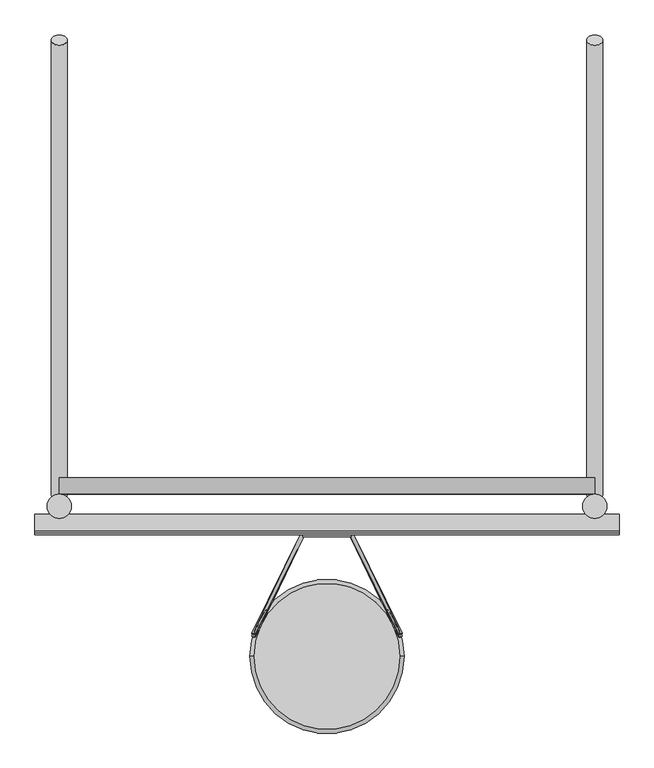
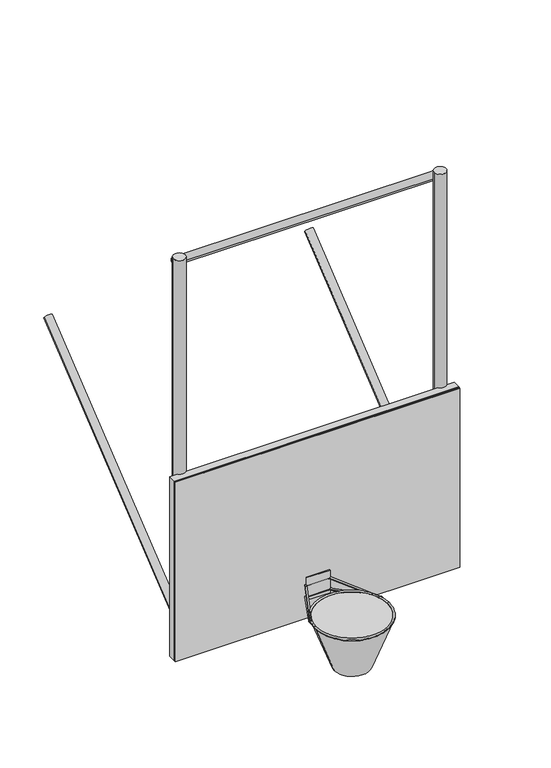
"""IFC4 building model written with IfcOpenShell, lengths in millimetres: proxy geometry."""

from ifc_helpers import new_model, si_unit, point, frame, frame_2d, origin, place, context, project, spatial, polyline, circle_curve, ellipse_curve, trimmed, segment, composite_curve, outline, extrude, source, transform, mapped, element, save
from ifc_brep_helpers import plane_surface, cylinder_surface, revolved_surface, advanced_brep


def specialty_equipment_a6046880(model_context):
    return source(origin(), model_context, "Body", "SolidModel", [
        extrude(outline(composite_curve([segment(trimmed(circle_curve(frame_2d((-76.2, 0.0)), 25.4), [point((-50.8, 0.0))], [point((-101.6, 0.0))], False, "CARTESIAN"), True, "CONTINUOUS"), segment(trimmed(circle_curve(frame_2d((-76.2, 0.0)), 25.4), [point((-101.6, 0.0))], [point((-50.8, 0.0))], False, "CARTESIAN"), True, "CONTINUOUS")], self_intersect=False)), frame((914.4, 114.3, 3048.0), z_axis=(0.0, 0.777145961456969, 0.6293203910498398), x_axis=(1.0, 0.0, 0.0)), (0.0, 0.0, 1.0), 1828.8),
        extrude(outline(composite_curve([segment(trimmed(circle_curve(frame_2d((-76.2, 0.0)), 25.4), [point((-50.8, 0.0))], [point((-101.6, 0.0))], False, "CARTESIAN"), True, "CONTINUOUS"), segment(trimmed(circle_curve(frame_2d((-76.2, 0.0)), 25.4), [point((-101.6, 0.0))], [point((-50.8, 0.0))], False, "CARTESIAN"), True, "CONTINUOUS")], self_intersect=False)), frame((-914.4, 114.3, 3048.0), z_axis=(0.0, 0.7771459614569691, 0.6293203910498396), x_axis=(-1.0, 0.0, 0.0)), (0.0, 0.0, 1.0), 1828.8),
        extrude(outline(composite_curve([segment(trimmed(circle_curve(frame_2d((140.0761832, 3078.4192567)), 25.4), [point((165.4761832, 3078.4192567))], [point((114.6761832, 3078.4192567))], False, "CARTESIAN"), True, "CONTINUOUS"), segment(trimmed(circle_curve(frame_2d((140.0761832, 3078.4192567)), 25.4), [point((114.6761832, 3078.4192567))], [point((165.4761832, 3078.4192567))], False, "CARTESIAN"), True, "CONTINUOUS")], self_intersect=False)), frame((-838.2, 0.0, 0.0), z_axis=(1.0, 0.0, 0.0), x_axis=(0.0, 1.0, 0.0)), (0.0, 0.0, 1.0), 1676.4),
        extrude(outline(composite_curve([segment(trimmed(circle_curve(frame_2d((140.0761832, 5415.2192567)), 25.4), [point((165.4761832, 5415.2192567))], [point((114.6761832, 5415.2192567))], False, "CARTESIAN"), True, "CONTINUOUS"), segment(trimmed(circle_curve(frame_2d((140.0761832, 5415.2192567)), 25.4), [point((114.6761832, 5415.2192567))], [point((165.4761832, 5415.2192567))], False, "CARTESIAN"), True, "CONTINUOUS")], self_intersect=False)), frame((-838.2, 0.0, 0.0), z_axis=(1.0, 0.0, 0.0), x_axis=(0.0, 1.0, 0.0)), (0.0, 0.0, 1.0), 1676.4),
        extrude(outline(composite_curve([segment(trimmed(circle_curve(frame_2d((-838.2, 76.2)), 38.1), [point((-876.3, 76.2))], [point((-800.1, 76.2))], False, "CARTESIAN"), True, "CONTINUOUS"), segment(trimmed(circle_curve(frame_2d((-838.2, 76.2)), 38.1), [point((-800.1, 76.2))], [point((-876.3, 76.2))], False, "CARTESIAN"), True, "CONTINUOUS")], self_intersect=False)), frame((0.0, 0.0, 3048.0), z_axis=(0.0, 0.0, 1.0), x_axis=(1.0, 0.0, 0.0)), (0.0, 0.0, 1.0), 2438.4),
        extrude(outline(composite_curve([segment(trimmed(circle_curve(frame_2d((838.2, 76.2)), 38.1), [point((876.3, 76.2))], [point((800.1, 76.2))], False, "CARTESIAN"), True, "CONTINUOUS"), segment(trimmed(circle_curve(frame_2d((838.2, 76.2)), 38.1), [point((800.1, 76.2))], [point((876.3, 76.2))], False, "CARTESIAN"), True, "CONTINUOUS")], self_intersect=False)), frame((0.0, 0.0, 3048.0), z_axis=(0.0, 0.0, 1.0), x_axis=(1.0, 0.0, 0.0)), (0.0, 0.0, 1.0), 2438.4),
        advanced_brep(
        [(-236.6789699, -395.5113338, 3042.0341814), (236.6789699, -395.5113338, 3042.0341814), (-114.3, -395.5113338, 2707.5151813), (114.3, -395.5113338, 2707.5151813)],
        [
            (0, 1, circle_curve(frame((0.0, -395.5113338, 3042.0341814), z_axis=(0.0, 0.0, 1.0), x_axis=(-1.0, 0.0, 0.0)), 236.6789699)),
            (1, 0, circle_curve(frame((0.0, -395.5113338, 3042.0341814), z_axis=(0.0, 0.0, 1.0), x_axis=(1.0, 0.0, 0.0)), 236.6789699)),
            (2, 3, circle_curve(frame((0.0, -395.5113338, 2707.5151813), z_axis=(0.0, 0.0, -1.0), x_axis=(1.0, 0.0, 0.0)), 114.3)),
            (3, 2, circle_curve(frame((0.0, -395.5113338, 2707.5151813), z_axis=(0.0, 0.0, -1.0), x_axis=(-1.0, 0.0, 0.0)), 114.3)),
            (3, 1),
            (0, 2),
        ],
        [
            plane_surface(frame((0.0, -395.5113338, 3042.0341814), z_axis=(0.0, 0.0, 1.0), x_axis=(0.0, -1.0, 0.0))),
            plane_surface(frame((0.0, -395.5113338, 2707.5151813), z_axis=(0.0, 0.0, -1.0), x_axis=(0.0, -1.0, 0.0))),
            revolved_surface(polyline([(114.3000000051076, -395.5113338, 2707.5151813), (236.6789699, -395.5113338, 3042.0341814)]), (0.0, -395.5113338, 2395.079787), (0.0, 0.0, 1.0)),
            revolved_surface(polyline([(-114.3000000051076, -395.5113338, 2707.5151813), (-236.6789699, -395.5113338, 3042.0341814)]), (0.0, -395.5113338, 2395.079787), (0.0, 0.0, 1.0)),
        ],
        [
            (0, [[1, 2]]),
            (1, [[3, 4]]),
            (2, [[-4, 5, -1, 6]]),
            (3, [[-3, -6, -2, -5]]),
        ],
    ),
        advanced_brep(
        [(-235.8399415, -321.2580627, 3040.7989327), (-224.3912623, -326.5918433, 3042.1287936), (-80.1951006, -6.7272443, 2962.3775919), (-72.2048994, -19.05, 2965.45), (80.1951006, -6.7272443, 2962.3775919), (72.2048994, -19.05, 2965.45), (235.8399415, -321.2580627, 3040.7989327), (224.3912623, -326.5918433, 3042.1287936)],
        [
            (0, 1, circle_curve(frame((-230.1156019, -323.924953, 3041.4638631), z_axis=(-0.4328399193789917, -0.8746932651081373, 0.2180855248897866), x_axis=(0.9014708005210086, -0.41998272393508324, 0.10471345378737032)), 6.35)),
            (1, 0, circle_curve(frame((-230.1156019, -323.924953, 3041.4638631), z_axis=(-0.4328399193789917, -0.8746932651081373, 0.2180855248897866), x_axis=(0.9014708005210086, -0.41998272393508324, 0.10471345378737032)), 6.35)),
            (0, 2),
            (2, 3, ellipse_curve(frame((-76.2, -12.8886221, 2963.913796), z_axis=(-0.8464159495717788, -0.5167041485635194, 0.12882881342212485), x_axis=(0.5325223378511971, -0.8212737785213373, 0.20476655098619206)), 7.5022216, 6.35)),
            (3, 1),
            (3, 2, ellipse_curve(frame((-76.2, -12.8886221, 2963.913796), z_axis=(-0.8464159495717788, -0.5167041485635194, 0.12882881342212485), x_axis=(0.5325223378511971, -0.8212737785213373, 0.20476655098619206)), 7.5022216, 6.35)),
            (2, 4),
            (4, 5, ellipse_curve(frame((76.2, -12.8886221, 2963.913796), z_axis=(-0.8464159495717782, 0.5167041485635203, -0.12882881342212504), x_axis=(-0.5325223378511974, -0.8212737785213372, 0.20476655098619195)), 7.5022216, 6.35)),
            (5, 3),
            (5, 4, ellipse_curve(frame((76.2, -12.8886221, 2963.913796), z_axis=(-0.8464159495717782, 0.5167041485635203, -0.12882881342212504), x_axis=(-0.5325223378511974, -0.8212737785213372, 0.20476655098619195)), 7.5022216, 6.35)),
            (6, 7, circle_curve(frame((230.1156019, -323.924953, 3041.4638631), z_axis=(0.43283991937898986, -0.8746932651081383, 0.2180855248897868), x_axis=(-0.9014708005210095, -0.41998272393508135, 0.10471345378736992)), 6.35)),
            (7, 6, circle_curve(frame((230.1156019, -323.924953, 3041.4638631), z_axis=(0.43283991937898986, -0.8746932651081383, 0.2180855248897868), x_axis=(-0.9014708005210095, -0.41998272393508135, 0.10471345378736992)), 6.35)),
            (4, 6),
            (7, 5),
        ],
        [
            plane_surface(frame((-230.1156019, -1059.7666868, 90.1638673), z_axis=(-0.4328399193789915, -0.8746932651081376, 0.2180855248897867), x_axis=(0.0, 0.24192189559966143, 0.9702957262759981))),
            cylinder_surface(frame((-230.1156019, -323.924953, 3041.4638631), z_axis=(-0.4328399193789918, -0.8746932651081375, 0.21808552488978666), x_axis=(0.9014708005210086, -0.41998272393508324, 0.10471345378737032)), 6.35),
            cylinder_surface(frame((-76.2, -12.8886221, 2963.913796), z_axis=(-1.0, 0.0, 0.0), x_axis=(0.0, -0.970295726275998, 0.24192189559966143)), 6.35),
            plane_surface(frame((230.1156019, -1059.7666868, 90.1638673), z_axis=(0.4328399193789902, -0.8746932651081383, 0.21808552488978683), x_axis=(0.0, 0.24192189559966137, 0.9702957262759981))),
            cylinder_surface(frame((76.2, -12.8886221, 2963.913796), z_axis=(-0.43283991937898986, 0.8746932651081383, -0.2180855248897868), x_axis=(-0.9014708005210095, -0.41998272393508135, 0.10471345378736992)), 6.35),
        ],
        [
            (0, [[1, 2]]),
            (1, [[-1, 3, 4, 5]]),
            (1, [[-2, -5, 6, -3]]),
            (2, [[-4, 7, 8, 9]]),
            (2, [[-6, -9, 10, -7]]),
            (3, [[11, 12]]),
            (4, [[-8, 13, -12, 14]]),
            (4, [[-10, -14, -11, -13]]),
        ],
    ),
        extrude(outline(polyline([(76.2, -19.05), (-76.2, -19.05), (-76.2, 0.0), (76.2, 0.0), (76.2, -19.05)])), frame((0.0, 0.0, 2943.225), z_axis=(0.0, 0.0, 1.0), x_axis=(1.0, 0.0, 0.0)), (0.0, 0.0, 1.0), 152.4),
        advanced_brep(
        [(-235.8399415, -330.5097483, 3041.65), (-224.3912623, -336.0068153, 3041.65), (-80.1951006, -6.35, 3041.65), (-72.2048994, -19.05, 3041.65), (80.1951006, -6.35, 3041.65), (72.2048994, -19.05, 3041.65), (235.8399415, -330.5097483, 3041.65), (224.3912623, -336.0068153, 3041.65)],
        [
            (0, 1, circle_curve(frame((-230.1156019, -333.2582818, 3041.65), z_axis=(-0.4328399193789917, -0.9014708005210087, 0.0), x_axis=(0.9014708005210087, -0.4328399193789917, 0.0)), 6.35)),
            (1, 0, circle_curve(frame((-230.1156019, -333.2582818, 3041.65), z_axis=(-0.4328399193789917, -0.9014708005210087, 0.0), x_axis=(0.9014708005210087, -0.4328399193789917, 0.0)), 6.35)),
            (0, 2),
            (2, 3, ellipse_curve(frame((-76.2, -12.7, 3041.65), z_axis=(-0.8464159495717786, -0.5325223378511968, 0.0), x_axis=(0.5325223378511967, -0.8464159495717788, 0.0)), 7.5022216, 6.35)),
            (3, 1),
            (3, 2, ellipse_curve(frame((-76.2, -12.7, 3041.65), z_axis=(-0.8464159495717786, -0.5325223378511968, 0.0), x_axis=(0.5325223378511967, -0.8464159495717788, 0.0)), 7.5022216, 6.35)),
            (2, 4),
            (4, 5, ellipse_curve(frame((76.2, -12.7, 3041.65), z_axis=(-0.8464159495717782, 0.5325223378511977, 0.0), x_axis=(-0.5325223378511974, -0.8464159495717782, 0.0)), 7.5022216, 6.35)),
            (5, 3),
            (5, 4, ellipse_curve(frame((76.2, -12.7, 3041.65), z_axis=(-0.8464159495717782, 0.5325223378511977, 0.0), x_axis=(-0.5325223378511974, -0.8464159495717782, 0.0)), 7.5022216, 6.35)),
            (6, 7, circle_curve(frame((230.1156019, -333.2582818, 3041.65), z_axis=(0.4328399193789898, -0.9014708005210095, 0.0), x_axis=(-0.9014708005210095, -0.4328399193789898, 0.0)), 6.35)),
            (7, 6, circle_curve(frame((230.1156019, -333.2582818, 3041.65), z_axis=(0.4328399193789898, -0.9014708005210095, 0.0), x_axis=(-0.9014708005210095, -0.4328399193789898, 0.0)), 6.35)),
            (4, 6),
            (7, 5),
        ],
        [
            plane_surface(frame((-230.1156019, -333.2582818, 0.0), z_axis=(-0.43283991937899147, -0.9014708005210087, 0.0), x_axis=(0.0, 0.0, 1.0))),
            cylinder_surface(frame((-230.1156019, -333.2582818, 3041.65), z_axis=(-0.4328399193789917, -0.9014708005210087, 0.0), x_axis=(0.9014708005210087, -0.4328399193789917, 0.0)), 6.35),
            cylinder_surface(frame((-76.2, -12.7, 3041.65), z_axis=(-1.0, 0.0, 0.0), x_axis=(0.0, -1.0, 0.0)), 6.35),
            plane_surface(frame((230.1156019, -333.2582818, 0.0), z_axis=(0.4328399193789899, -0.9014708005210094, 0.0), x_axis=(0.0, 0.0, 1.0))),
            cylinder_surface(frame((76.2, -12.7, 3041.65), z_axis=(-0.4328399193789898, 0.9014708005210095, 0.0), x_axis=(-0.9014708005210095, -0.4328399193789898, 0.0)), 6.35),
        ],
        [
            (0, [[1, 2]]),
            (1, [[-1, 3, 4, 5]]),
            (1, [[-2, -5, 6, -3]]),
            (2, [[-4, 7, 8, 9]]),
            (2, [[-6, -9, 10, -7]]),
            (3, [[11, 12]]),
            (4, [[-8, 13, -12, 14]]),
            (4, [[-10, -14, -11, -13]]),
        ],
    ),
        advanced_brep(
        [(228.6, -393.7, 3041.65), (-228.6, -393.7, 3041.65), (-241.3, -393.7, 3041.65), (241.3, -393.7, 3041.65)],
        [
            (0, 1, circle_curve(frame((0.0, -393.7, 3041.65), z_axis=(0.0, 0.0, -1.0), x_axis=(-1.0, 0.0, 0.0)), 228.6)),
            (1, 2, circle_curve(frame((-234.95, -393.7, 3041.65), z_axis=(0.0, -1.0, 0.0), x_axis=(1.0, 0.0, 0.0)), 6.35)),
            (2, 3, circle_curve(frame((0.0, -393.7, 3041.65), z_axis=(0.0, 0.0, 1.0), x_axis=(-1.0, 0.0, 0.0)), 241.3)),
            (3, 0, circle_curve(frame((234.95, -393.7, 3041.65), z_axis=(0.0, -1.0, 0.0), x_axis=(-1.0, 0.0, 0.0)), 6.35)),
            (2, 1, circle_curve(frame((-234.95, -393.7, 3041.65), z_axis=(0.0, -1.0, 0.0), x_axis=(1.0, 0.0, 0.0)), 6.35)),
            (0, 3, circle_curve(frame((234.95, -393.7, 3041.65), z_axis=(0.0, -1.0, 0.0), x_axis=(-1.0, 0.0, 0.0)), 6.35)),
            (1, 0, circle_curve(frame((0.0, -393.7, 3041.65), z_axis=(0.0, 0.0, -1.0), x_axis=(1.0, 0.0, 0.0)), 228.6)),
            (3, 2, circle_curve(frame((0.0, -393.7, 3041.65), z_axis=(0.0, 0.0, 1.0), x_axis=(1.0, 0.0, 0.0)), 241.3)),
        ],
        [
            revolved_surface(trimmed(ellipse_curve(frame((-234.95, -393.7, 3041.65), z_axis=(0.0, 1.0, 0.0), x_axis=(1.0, 0.0, 0.0)), 6.35, 6.35), [point((-241.3, -393.7, 3041.65))], [point((-228.6, -393.7, 3041.65))], True, "CARTESIAN"), (0.0, -393.7, 0.0), (0.0, 0.0, 1.0)),
            revolved_surface(trimmed(ellipse_curve(frame((-234.95, -393.7, 3041.65), z_axis=(0.0, 1.0, 0.0), x_axis=(1.0, 0.0, 0.0)), 6.35, 6.35), [point((-228.6, -393.7, 3041.65))], [point((-241.3, -393.7, 3041.65))], True, "CARTESIAN"), (0.0, -393.7, 0.0), (0.0, 0.0, 1.0)),
            revolved_surface(trimmed(ellipse_curve(frame((234.95, -393.7, 3041.65), z_axis=(0.0, -1.0, 0.0), x_axis=(-1.0, 0.0, 0.0)), 6.35, 6.35), [point((241.3, -393.7, 3041.65))], [point((228.6, -393.7, 3041.65))], True, "CARTESIAN"), (0.0, -393.7, 0.0), (0.0, 0.0, 1.0)),
            revolved_surface(trimmed(ellipse_curve(frame((234.95, -393.7, 3041.65), z_axis=(0.0, -1.0, 0.0), x_axis=(-1.0, 0.0, 0.0)), 6.35, 6.35), [point((228.6, -393.7, 3041.65))], [point((241.3, -393.7, 3041.65))], True, "CARTESIAN"), (0.0, -393.7, 0.0), (0.0, 0.0, 1.0)),
        ],
        [
            (0, [[1, 2, 3, 4]]),
            (1, [[-3, 5, -1, 6]]),
            (2, [[7, -4, 8, -2]]),
            (3, [[-8, -6, -7, -5]]),
        ],
    ),
        extrude(outline(polyline([(4035.425, 914.4), (4035.425, -914.4), (2816.225, -914.4), (2816.225, 914.4), (4035.425, 914.4)]), holes=[polyline([(2841.625, -889.0), (4010.025, -889.0), (4010.025, 889.0), (2841.625, 889.0), (2841.625, -889.0)])]), frame((0.0, 0.0, 0.0), z_axis=(0.0, 1.0, 0.0), x_axis=(0.0, 0.0, 1.0)), (0.0, 0.0, 1.0), 50.8),
        extrude(outline(polyline([(4035.425, 914.4), (4035.425, -914.4), (2816.225, -914.4), (2816.225, 914.4), (4035.425, 914.4)]), holes=[polyline([(2892.425, -838.2), (3959.225, -838.2), (3959.225, 838.2), (2892.425, 838.2), (2892.425, -838.2)])]), frame((0.0, -6.35, 0.0), z_axis=(0.0, 1.0, 0.0), x_axis=(0.0, 0.0, 1.0)), (0.0, 0.0, 1.0), 12.7),
        extrude(outline(polyline([(3527.425, 304.8), (3527.425, -304.8), (3070.225, -304.8), (3070.225, 304.8), (3527.425, 304.8)]), holes=[polyline([(3121.025, -254.0), (3476.625, -254.0), (3476.625, 254.0), (3121.025, 254.0), (3121.025, -254.0)])]), frame((0.0, -6.35, 0.0), z_axis=(0.0, 1.0, 0.0), x_axis=(0.0, 0.0, 1.0)), (0.0, 0.0, 1.0), 12.7),
        extrude(outline(polyline([(914.4, -12.7), (-914.4, -12.7), (-914.4, 0.0), (914.4, 0.0), (914.4, -12.7)])), frame((0.0, 0.0, 2816.225), z_axis=(0.0, 0.0, 1.0), x_axis=(1.0, 0.0, 0.0)), (0.0, 0.0, 1.0), 1219.2),
    ])


if __name__ == "__main__":
    model = new_model("IFC4")
    model_context = context("Model", 3, world=origin())
    ifc_project = project(units=[si_unit("LENGTHUNIT", "METRE", prefix="MILLI")], contexts=[model_context])
    site = spatial("IfcSite", under=ifc_project)
    building = spatial("IfcBuilding", under=site)
    placement = place(None, origin())
    specialty_equipment_shape = specialty_equipment_a6046880(model_context)
    element("IfcBuildingElementProxy", 1, Name="Specialty Equipment", at=placement, inside=building, context=model_context, shape_type="MappedRepresentation", body=[
        mapped(specialty_equipment_shape, transform((0.0, 0.0, 0.0), x_axis=(1.0, 0.0, 0.0), y_axis=(0.0, 1.0, 0.0), z_axis=(0.0, 0.0, 1.0))),
    ])
    save(model, "model.ifc")
